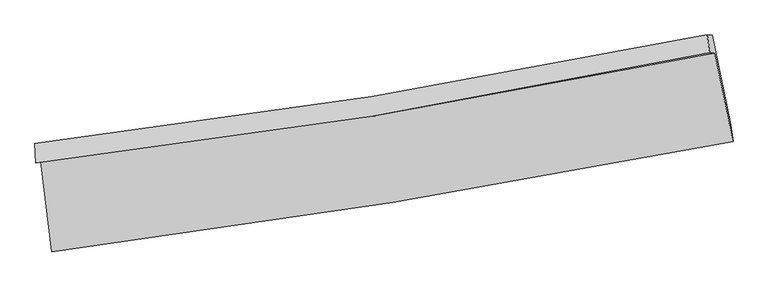
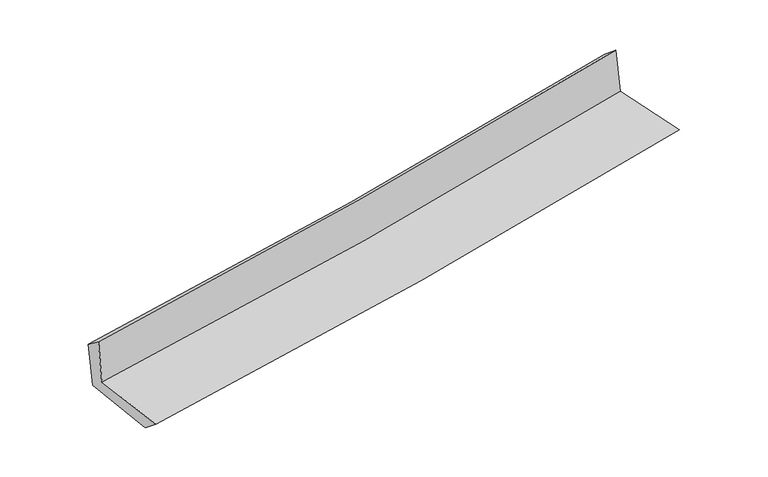
"""IFC4 building model written with IfcOpenShell, lengths in millimetres: proxy geometry."""

from ifc_helpers import new_model, si_unit, frame, origin, place, context, project, spatial, source, transform, mapped, element, save
from ifc_brep_helpers import plane_surface, spline_curve, spline_surface, advanced_brep


def generic_models_357af8f5(model_context):
    return source(origin(), model_context, "Body", "AdvancedBrep", [
        advanced_brep(
        [(-2528.5477478, -1883.0904498, 1662.545421), (-2446.4308807, -2554.3289913, 1652.3417343), (2611.7699749, -1733.9221014, 2108.8232423), (2475.6875067, -1076.5582432, 2113.7827262), (-2564.0781093, -1893.4101297, 2055.474469), (2437.6796973, -1074.9098857, 2506.8011882), (-2571.3845829, -1750.5775353, 1949.0223548), (2420.7301012, -941.4133823, 2396.3143525), (-2534.3782171, -1752.3877639, 1555.9935785), (2456.788971, -942.9772164, 2023.4488339), (-2452.5585582, -2412.0225832, 1533.975375), (2591.652303, -1588.9427584, 2006.6760346)],
        [
            (0, 1),
            (1, 2, spline_curve(3, [(-2446.4308807, -2554.3289913, 1652.3417343), (-1599.610809393, -2446.621812546, 1722.053906986), (-755.412708351, -2324.544949577, 1794.87852348), (930.672551349, -2051.176321183, 1947.017294047), (1772.541402118, -1899.784220828, 2026.353180182), (2611.7699749, -1733.9221014, 2108.8232423)], [4, 2, 4], [0.0, 8.380854541904098, 16.790917407347973])),
            (2, 3),
            (3, 0, spline_curve(3, [(2475.6875067, -1076.5582432, 2113.7827262), (1645.972130152, -1248.183861408, 2040.053131966), (813.364396294, -1401.292448419, 1965.518416193), (-854.734077271, -1670.008120504, 1815.100398432), (-1690.204761683, -1785.743602416, 1739.222679131), (-2528.5477478, -1883.0904498, 1662.545421)], [4, 2, 4], [0.0, 8.410062865443875, 16.790917407347973])),
            (4, 0),
            (3, 5),
            (5, 4, spline_curve(3, [(2437.6796973, -1074.9098857, 2506.8011882), (1608.278955338, -1252.791599722, 2443.254277115), (776.035437942, -1410.023602672, 2373.794569624), (-891.23687585, -1682.713832584, 2223.311330455), (-1726.24596066, -1798.31524437, 2142.328798473), (-2564.0781093, -1893.4101297, 2055.474469)], [4, 2, 4], [0.0, 8.364708177671057, 16.70036554957785])),
            (6, 4),
            (5, 7),
            (7, 6, spline_curve(3, [(2420.7301012, -941.4133823, 2396.3143525), (1592.723428068, -1111.715175884, 2324.199432094), (761.98212414, -1264.383094572, 2250.800569309), (-902.075065855, -1533.982206181, 2101.694333829), (-1735.371990002, -1651.035671573, 2025.995864263), (-2571.3845829, -1750.5775353, 1949.0223548)], [4, 2, 4], [0.0, 8.354870622832783, 16.680724605934202])),
            (8, 6),
            (7, 9),
            (9, 8, spline_curve(3, [(2456.788971, -942.9772164, 2023.4488339), (1628.944628928, -1113.325225878, 1948.02527309), (798.363582463, -1266.036816483, 1871.288845615), (-865.377789953, -1535.71804183, 1715.461323811), (-1698.519139276, -1652.809966891, 1636.379332737), (-2534.3782171, -1752.3877639, 1555.9935785)], [4, 2, 4], [0.0, 8.345820857153752, 16.662656504600882])),
            (10, 8),
            (9, 11),
            (11, 10, spline_curve(3, [(2591.652303, -1588.9427584, 2006.6760346), (1754.2629684, -1757.009282953, 1930.525110896), (914.482029507, -1909.725188673, 1852.986995566), (-766.93817412, -2183.978689225, 1695.41049027), (-1608.560855726, -2305.622725189, 1615.381719064), (-2452.5585582, -2412.0225832, 1533.975375)], [4, 2, 4], [0.0, 8.391343780331713, 16.75354424889622])),
            (1, 10),
            (11, 2),
        ],
        [
            spline_surface(3, 3, [[(-2528.5477478, -1883.0904498, 1662.545421), (-1690.20476159, -1785.743602405, 1739.222679176), (-854.73407735, -1670.008120538, 1815.100398425), (813.364396374, -1401.292448385, 1965.518416199), (1645.972130284, -1248.1838614, 2040.053131994), (2475.6875067, -1076.5582432, 2113.7827262)], [(-2501.175458754, -2106.836630294, 1659.144192103), (-1660.006777503, -2006.036339159, 1733.499755154), (-821.62695431, -1888.187063557, 1808.359773447), (852.46711467, -1617.920405956, 1959.351375416), (1688.161887523, -1465.383981226, 2035.486481364), (2521.048329431, -1295.679529252, 2112.129564894)], [(-2473.803169746, -2330.582810806, 1655.742963197), (-1629.808793455, -2226.329075931, 1727.776831123), (-788.519831288, -2106.366006609, 1801.619148563), (891.569832948, -1834.548363562, 1953.184334726), (1730.351644768, -1682.584101096, 2030.91983075), (2566.409152169, -1514.800815348, 2110.476403606)], [(-2446.4308807, -2554.3289913, 1652.3417343), (-1599.610809368, -2446.621812685, 1722.053907101), (-755.412708248, -2324.544949627, 1794.878523585), (930.672551245, -2051.176321133, 1947.017293942), (1772.541402006, -1899.784220922, 2026.353180119), (2611.7699749, -1733.9221014, 2108.8232423)]], [4, 4], [4, 2, 4], [0.0, 2.1700256054416194], [0.0, 8.380854541904098, 16.790917407347973]),
            spline_surface(3, 3, [[(-2564.0781093, -1893.4101297, 2055.474469), (-1726.245960703, -1798.315244464, 2142.328798554), (-891.236875937, -1682.713832621, 2223.311330566), (776.03543803, -1410.023602635, 2373.794569513), (1608.278955428, -1252.791599811, 2443.254277235), (2437.6796973, -1074.9098857, 2506.8011882)], [(-2552.234655469, -1889.970236406, 1924.498119644), (-1714.232227667, -1794.124697117, 2007.960092072), (-879.069276413, -1678.478595245, 2087.241019877), (788.478424139, -1407.113217869, 2237.702518433), (1620.843347034, -1251.255687006, 2308.853895476), (2450.348967088, -1075.459338199, 2375.795034188)], [(-2540.391201631, -1886.530343094, 1793.521770356), (-1702.218494625, -1789.934149752, 1873.591385658), (-866.901676873, -1674.243357915, 1951.170709114), (800.921410264, -1404.20283315, 2101.610467279), (1633.407738677, -1249.719774205, 2174.453513753), (2463.018236912, -1076.008790701, 2244.788880212)], [(-2528.5477478, -1883.0904498, 1662.545421), (-1690.20476159, -1785.743602405, 1739.222679176), (-854.73407735, -1670.008120538, 1815.100398425), (813.364396374, -1401.292448385, 1965.518416199), (1645.972130284, -1248.1838614, 2040.053131994), (2475.6875067, -1076.5582432, 2113.7827262)]], [4, 4], [4, 2, 4], [0.0, 1.3453062663203001], [0.0, 8.335657371906793, 16.70036554957785]),
            spline_surface(3, 3, [[(-2571.3845829, -1750.5775353, 1949.0223548), (-1735.371989945, -1651.035671666, 2025.995864139), (-902.075065811, -1533.982206073, 2101.694333875), (761.982124096, -1264.38309468, 2250.800569263), (1592.723427995, -1111.715175925, 2324.199432112), (2420.7301012, -941.4133823, 2396.3143525)], [(-2568.949091706, -1798.188400102, 1984.506392886), (-1732.329980204, -1700.128862601, 2064.773508963), (-898.462335859, -1583.55941495, 2142.233332753), (766.666562068, -1312.929930692, 2291.798569328), (1597.908603817, -1158.740650549, 2363.884380515), (2426.379966578, -985.912216762, 2433.143297762)], [(-2566.513600494, -1845.799264898, 2019.990430914), (-1729.287970444, -1749.222053529, 2103.55115373), (-894.849605889, -1633.136623744, 2182.772331688), (771.351000058, -1361.476766622, 2332.796569448), (1603.093779605, -1205.766125187, 2403.569328832), (2432.029831922, -1030.411051238, 2469.972242938)], [(-2564.0781093, -1893.4101297, 2055.474469), (-1726.245960703, -1798.315244464, 2142.328798554), (-891.236875937, -1682.713832621, 2223.311330566), (776.03543803, -1410.023602635, 2373.794569513), (1608.278955428, -1252.791599811, 2443.254277235), (2437.6796973, -1074.9098857, 2506.8011882)]], [4, 4], [4, 2, 4], [0.0, 0.6291723229512463], [0.0, 8.32585398310142, 16.680724605934202]),
            spline_surface(3, 3, [[(-2534.3782171, -1752.3877639, 1555.9935785), (-1698.519139331, -1652.809966832, 1636.379332848), (-865.377789893, -1535.71804179, 1715.461323777), (798.363582403, -1266.036816524, 1871.288845648), (1628.944628981, -1113.325225739, 1948.025273162), (2456.788971, -942.9772164, 2023.4488339)], [(-2546.713672354, -1751.784354357, 1687.003170599), (-1710.803422856, -1652.2185351, 1766.251509944), (-877.610215201, -1535.139429883, 1844.205660488), (786.236429632, -1265.485575908, 1997.792753531), (1616.870895323, -1112.788542468, 2073.416659456), (2444.769347737, -942.455938367, 2147.737340077)], [(-2559.049127646, -1751.180944843, 1818.012762701), (-1723.08770642, -1651.627103398, 1896.123687044), (-889.842640503, -1534.56081798, 1972.949997164), (774.109276867, -1264.934335296, 2124.29666138), (1604.797161653, -1112.251859196, 2198.808045818), (2432.749724463, -941.934660333, 2272.025846323)], [(-2571.3845829, -1750.5775353, 1949.0223548), (-1735.371989945, -1651.035671666, 2025.995864139), (-902.075065811, -1533.982206073, 2101.694333875), (761.982124096, -1264.38309468, 2250.800569263), (1592.723427995, -1111.715175925, 2324.199432112), (2420.7301012, -941.4133823, 2396.3143525)]], [4, 4], [4, 2, 4], [0.0, 1.2618242188109594], [0.0, 8.31683564744713, 16.662656504600882]),
            spline_surface(3, 3, [[(-2452.5585582, -2412.0225832, 1533.975375), (-1608.560855669, -2305.622725319, 1615.381719148), (-766.938174165, -2183.978689316, 1695.410490263), (914.482029553, -1909.725188582, 1852.986995573), (1754.262968485, -1757.009283017, 1930.525110958), (2591.652303, -1588.9427584, 2006.6760346)], [(-2479.831777857, -2192.1443101, 1541.314776172), (-1638.546950247, -2088.01847249, 1622.38092372), (-799.751379416, -1967.891806777, 1702.094101449), (875.775880495, -1695.162397866, 1859.08761228), (1712.490188653, -1542.447930604, 1936.35849836), (2546.697859003, -1373.620911079, 2012.2669677)], [(-2507.104997443, -1972.266037, 1548.654177328), (-1668.533044753, -1870.414219661, 1629.380128277), (-832.564584643, -1751.804924329, 1708.777712591), (837.069731461, -1480.59960724, 1865.188228942), (1670.717408813, -1327.886578152, 1942.19188576), (2501.743414997, -1158.299063721, 2017.8579008)], [(-2534.3782171, -1752.3877639, 1555.9935785), (-1698.519139331, -1652.809966832, 1636.379332848), (-865.377789893, -1535.71804179, 1715.461323777), (798.363582403, -1266.036816524, 1871.288845648), (1628.944628981, -1113.325225739, 1948.025273162), (2456.788971, -942.9772164, 2023.4488339)]], [4, 4], [4, 2, 4], [0.0, 2.1492777505994796], [0.0, 8.362200468564506, 16.75354424889622]),
            spline_surface(3, 3, [[(-2446.4308807, -2554.3289913, 1652.3417343), (-1599.610809368, -2446.621812685, 1722.053907101), (-755.412708248, -2324.544949627, 1794.878523585), (930.672551245, -2051.176321133, 1947.017293942), (1772.541402006, -1899.784220922, 2026.353180119), (2611.7699749, -1733.9221014, 2108.8232423)], [(-2448.47343986, -2506.893521941, 1612.886281197), (-1602.594158128, -2399.622116904, 1686.496511114), (-759.254530205, -2277.689529555, 1761.722512477), (925.275710696, -2004.025943647, 1915.673861151), (1766.448590829, -1852.192574962, 1994.41049041), (2605.064084263, -1685.595653741, 2074.774173078)], [(-2450.51599904, -2459.458052559, 1573.430828103), (-1605.577506909, -2352.6224211, 1650.939115135), (-763.096352208, -2230.834109389, 1728.566501372), (919.878870102, -1956.875566068, 1884.330428364), (1760.355779663, -1804.600928977, 1962.467800667), (2598.358193637, -1637.269206059, 2040.725103822)], [(-2452.5585582, -2412.0225832, 1533.975375), (-1608.560855669, -2305.622725319, 1615.381719148), (-766.938174165, -2183.978689316, 1695.410490263), (914.482029553, -1909.725188582, 1852.986995573), (1754.262968485, -1757.009283017, 1930.525110958), (2591.652303, -1588.9427584, 2006.6760346)]], [4, 4], [4, 2, 4], [0.0, 0.5628790869759775], [0.0, 8.416416705298673, 16.86216567271272]),
            plane_surface(frame((2499.0514257, -1226.4539312, 2192.641063), z_axis=(0.9750920021577821, 0.20115106137901728, 0.09345500432840953), x_axis=(-0.0962575288774445, 0.004174584694808978, 0.9953477085807924))),
            plane_surface(frame((-2516.2296827, -2040.9695756, 1734.8921554), z_axis=(-0.9885105726397784, -0.119524274461198, -0.09252456751534549), x_axis=(-0.12141721547831343, 0.9924868966354052, 0.015087073689597457))),
        ],
        [
            (0, [[1, 2, 3, 4]]),
            (1, [[5, -4, 6, 7]]),
            (2, [[8, -7, 9, 10]]),
            (3, [[11, -10, 12, 13]]),
            (4, [[14, -13, 15, 16]]),
            (5, [[17, -16, 18, -2]]),
            (6, [[-12, -9, -6, -3, -18, -15]]),
            (7, [[-1, -5, -8, -11, -14, -17]]),
        ],
    ),
    ])


if __name__ == "__main__":
    model = new_model("IFC4")
    model_context = context("Model", 3, world=origin())
    ifc_project = project(units=[si_unit("LENGTHUNIT", "METRE", prefix="MILLI")], contexts=[model_context])
    site = spatial("IfcSite", under=ifc_project)
    building = spatial("IfcBuilding", under=site)
    placement = place(None, origin())
    generic_models_shape = generic_models_357af8f5(model_context)
    element("IfcBuildingElementProxy", 1, Name="Generic Models", at=placement, inside=building, context=model_context, shape_type="MappedRepresentation", body=[
        mapped(generic_models_shape, transform((0.0, 0.0, 0.0), x_axis=(1.0, 0.0, 0.0), y_axis=(0.0, 1.0, 0.0), z_axis=(0.0, 0.0, 1.0))),
    ])
    save(model, "model.ifc")
